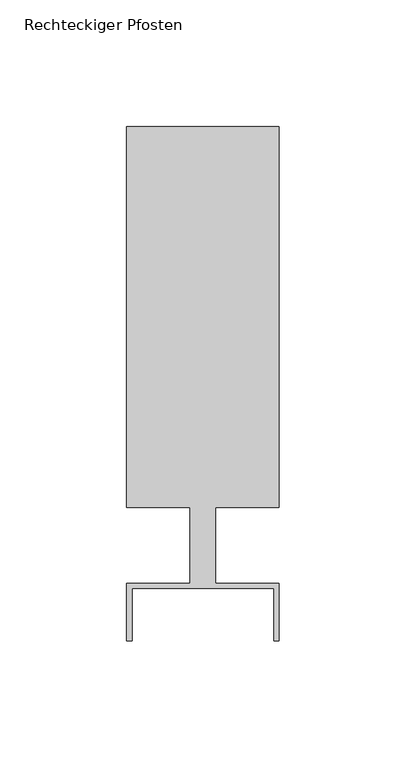
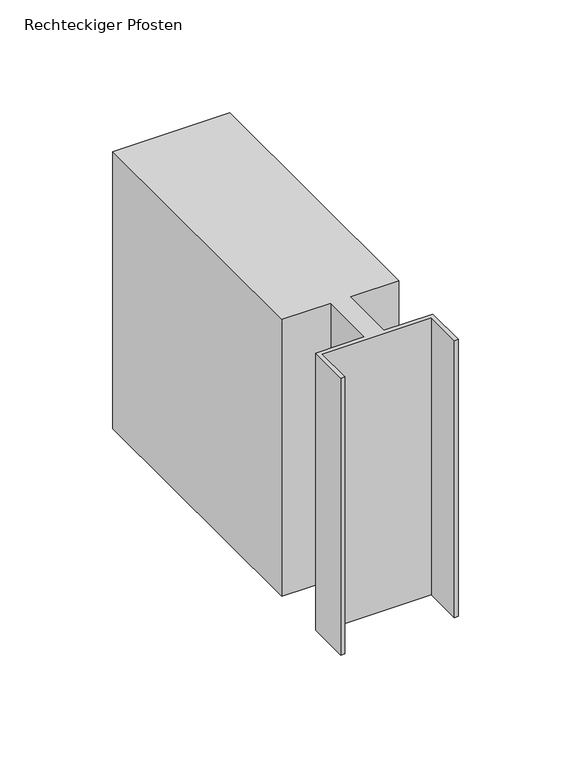
"""IFC4 building model written with IfcOpenShell, lengths in millimetres: member geometry, Rechteckiger Pfosten."""

from ifc_helpers import new_model, si_unit, frame, origin, place, context, project, spatial, polyline, outline, extrude, source, transform, mapped, element, save


def rechteckiger_pfosten_5a50bf68(model_context):
    return source(origin(), model_context, "Body", "SweptSolid", [
        extrude(outline(polyline([(28.0, -37.5), (28.0, -17.0), (-28.0, -17.0), (-28.0, -37.5), (-30.0, -37.5), (-30.0, -15.0), (-5.0, -15.0), (-5.0, 15.0), (-30.0, 15.0), (-30.0, 165.0), (30.0, 165.0), (30.0, 15.0), (5.0, 15.0), (5.0, -15.0), (30.0, -15.0), (30.0, -37.5), (28.0, -37.5)])), frame((0.0, 0.0, -150.0), z_axis=(0.0, 0.0, 1.0), x_axis=(1.0, 0.0, 0.0)), (0.0, 0.0, 1.0), 150.0),
    ])


if __name__ == "__main__":
    model = new_model("IFC4")
    model_context = context("Model", 3, world=origin())
    ifc_project = project(units=[si_unit("LENGTHUNIT", "METRE", prefix="MILLI")], contexts=[model_context])
    site = spatial("IfcSite", under=ifc_project)
    building = spatial("IfcBuilding", under=site)
    placement = place(None, origin())
    rechteckiger_pfosten_shape = rechteckiger_pfosten_5a50bf68(model_context)
    element("IfcMember", 1, ObjectType="Rechteckiger Pfosten", at=placement, inside=building, context=model_context, shape_type="MappedRepresentation", body=[
        mapped(rechteckiger_pfosten_shape, transform((0.0, 0.0, 0.0), x_axis=(1.0, 0.0, 0.0), y_axis=(0.0, 1.0, 0.0), z_axis=(0.0, 0.0, 1.0))),
    ])
    save(model, "model.ifc")
